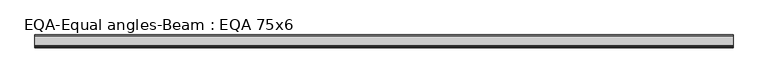
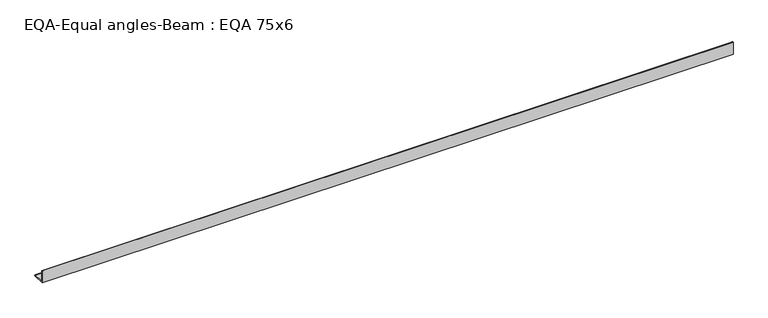
"""IFC4 building model written with IfcOpenShell, lengths in millimetres: beam geometry, EQA-Equal angles-Beam : EQA 75x6."""

import ifcopenshell
import ifcopenshell.guid

model = None  # the IFC model being written
_history = None  # IfcOwnerHistory: only IFC2X3 demands one
_inside = {}  # id of a spatial element -> (the spatial element, [elements in it])
_under = {}  # id of a project, library or spatial element -> (it, [spatial elements below it])
_declared = {}  # id of a project -> (the project, [libraries it declares])
_typed = {}  # id of a type object -> (the type object, [elements of that type])
_made_of = {}  # id of a material, layer set ... -> (it, [elements and type objects made of it])


def new_model(schema):
    """Start an empty IFC model of exactly this schema.

    Asked for "IFC4X3", IfcOpenShell would pick the latest addendum, in which some entities
    have other attributes; the version numbers below select the first issue.
    IFC2X3 requires an IfcOwnerHistory on every rooted entity: one is made here for all.
    """
    global model, _history
    if schema == "IFC4X3":
        model = ifcopenshell.file(schema_version=(4, 3, 0, 0))
    else:
        model = ifcopenshell.file(schema=schema)
    _inside.clear()
    _under.clear()
    _declared.clear()
    _typed.clear()
    _made_of.clear()
    _history = None
    if model.schema == "IFC2X3":
        org = make("IfcOrganization", Name="unknown")
        user = make(
            "IfcPersonAndOrganization",
            ThePerson=make("IfcPerson", FamilyName="unknown"),
            TheOrganization=org,
        )
        app = make(
            "IfcApplication",
            ApplicationDeveloper=org,
            Version="unknown",
            ApplicationFullName="unknown",
            ApplicationIdentifier="unknown",
        )
        _history = make(
            "IfcOwnerHistory",
            OwningUser=user,
            OwningApplication=app,
            ChangeAction="ADDED",
            CreationDate=0,
        )
    return model


def make(cls, **values):
    """One entity of the class cls with the attributes given. An attribute that is None is left unset."""
    return model.create_entity(
        cls, **{name: value for name, value in values.items() if value is not None}
    )


def rooted(cls, **values):
    """An entity with a GlobalId (a new one), such as an element, a storey or a relation."""
    return make(cls, GlobalId=ifcopenshell.guid.new(), OwnerHistory=_history, **values)


def si_unit(unit_type, name, prefix=None):
    """IfcSIUnit, for example si_unit("LENGTHUNIT", "METRE", prefix="MILLI")."""
    return make("IfcSIUnit", UnitType=unit_type, Prefix=prefix, Name=name)


def assignment(units):
    """IfcUnitAssignment: the units of a project."""
    return None if units is None else make("IfcUnitAssignment", Units=units)


def point(xyz):
    """IfcCartesianPoint."""
    return None if xyz is None else make("IfcCartesianPoint", Coordinates=xyz)


def direction(xyz):
    """IfcDirection."""
    return None if xyz is None else make("IfcDirection", DirectionRatios=xyz)


def frame(location, z_axis=None, x_axis=None):
    """IfcAxis2Placement3D, a coordinate frame: its origin and axes. An axis left out is left unset."""
    return make(
        "IfcAxis2Placement3D",
        Location=point(location),
        Axis=direction(z_axis),
        RefDirection=direction(x_axis),
    )


def frame_2d(location, x_axis=None):
    """IfcAxis2Placement2D, a coordinate frame in the plane: its origin and x axis."""
    return make(
        "IfcAxis2Placement2D", Location=point(location), RefDirection=direction(x_axis)
    )


def origin():
    """The frame at (0, 0, 0) with its axes left unset."""
    return frame((0.0, 0.0, 0.0))


def place(relative_to, where):
    """IfcLocalPlacement: puts the frame where relative to a parent placement (None: the world)."""
    return make(
        "IfcLocalPlacement", PlacementRelTo=relative_to, RelativePlacement=where
    )


def context(
    kind, dimensions, precision=None, world=None, true_north=None, identifier=None
):
    """IfcGeometricRepresentationContext, for example the 3D "Model" context."""
    return make(
        "IfcGeometricRepresentationContext",
        ContextIdentifier=identifier,
        ContextType=kind,
        CoordinateSpaceDimension=dimensions,
        Precision=precision,
        WorldCoordinateSystem=world,
        TrueNorth=true_north,
    )


def project(units=None, contexts=None):
    """IfcProject with its units and contexts."""
    return rooted(
        "IfcProject",
        Name="project",
        RepresentationContexts=contexts,
        UnitsInContext=assignment(units),
    )


def spatial(cls, under=None, at=None, **own):
    """A site, building, storey or space (cls), placed at a placement, below another one or the project."""
    s = rooted(cls, ObjectPlacement=at, **own)
    if under is not None:
        _under.setdefault(under.id(), (under, []))[1].append(s)
    return s


def polyline(points):
    """IfcPolyline through the points."""
    return make("IfcPolyline", Points=[point(p) for p in points])


def circle_curve(where, radius):
    """IfcCircle in the frame where."""
    return make("IfcCircle", Position=where, Radius=radius)


def trimmed(basis, trim1, trim2, sense, master):
    """IfcTrimmedCurve: the piece of a basis curve between two trims."""
    return make(
        "IfcTrimmedCurve",
        BasisCurve=basis,
        Trim1=trim1,
        Trim2=trim2,
        SenseAgreement=sense,
        MasterRepresentation=master,
    )


def segment(curve, same_sense, transition):
    """IfcCompositeCurveSegment."""
    return make(
        "IfcCompositeCurveSegment",
        Transition=transition,
        SameSense=same_sense,
        ParentCurve=curve,
    )


def composite_curve(segments, self_intersect=None):
    """IfcCompositeCurve: segments joined end to end."""
    return make("IfcCompositeCurve", Segments=segments, SelfIntersect=self_intersect)


def outline(outer, holes=None, kind="AREA"):
    """IfcArbitraryClosedProfileDef: a profile drawn as a closed curve; with holes, ...WithVoids."""
    if holes is None:
        return make("IfcArbitraryClosedProfileDef", ProfileType=kind, OuterCurve=outer)
    return make(
        "IfcArbitraryProfileDefWithVoids",
        ProfileType=kind,
        OuterCurve=outer,
        InnerCurves=holes,
    )


def extrude(swept, where, along, depth):
    """IfcExtrudedAreaSolid: the profile swept, set in the frame where, extruded along a direction by depth."""
    return make(
        "IfcExtrudedAreaSolid",
        SweptArea=swept,
        Position=where,
        ExtrudedDirection=direction(along),
        Depth=depth,
    )


def shape(context_of_items, identifier, shape_type, items):
    """IfcShapeRepresentation: the items that make up one representation, for example the "Body"."""
    return make(
        "IfcShapeRepresentation",
        ContextOfItems=context_of_items,
        RepresentationIdentifier=identifier,
        RepresentationType=shape_type,
        Items=items,
    )


def source(mapping_origin, context_of_items, identifier, shape_type, items):
    """IfcRepresentationMap: a shape defined once, which mapped items show again and again."""
    return make(
        "IfcRepresentationMap",
        MappingOrigin=mapping_origin,
        MappedRepresentation=shape(context_of_items, identifier, shape_type, items),
    )


def transform(
    local_origin,
    x_axis=None,
    y_axis=None,
    z_axis=None,
    scale=None,
    scale2=None,
    scale3=None,
    uniform=True,
):
    """IfcCartesianTransformationOperator3D, or its non-uniform kind. x_axis, y_axis, z_axis: its Axis1, 2, 3."""
    if uniform:
        return make(
            "IfcCartesianTransformationOperator3D",
            Axis1=direction(x_axis),
            Axis2=direction(y_axis),
            LocalOrigin=point(local_origin),
            Scale=scale,
            Axis3=direction(z_axis),
        )
    return make(
        "IfcCartesianTransformationOperator3DnonUniform",
        Axis1=direction(x_axis),
        Axis2=direction(y_axis),
        LocalOrigin=point(local_origin),
        Scale=scale,
        Axis3=direction(z_axis),
        Scale2=scale2,
        Scale3=scale3,
    )


def mapped(mapping_source, mapping_target):
    """IfcMappedItem: shows the shape of a source again, moved by a transform."""
    return make(
        "IfcMappedItem", MappingSource=mapping_source, MappingTarget=mapping_target
    )


def made_of(thing, what):
    """Note that an element or type object is made of a material, layer set ...; save() writes the relation."""
    if what is not None:
        _made_of.setdefault(what.id(), (what, []))[1].append(thing)
    return thing


def element(
    cls,
    number,
    at=None,
    inside=None,
    cuts=None,
    type_object=None,
    material=None,
    context=None,
    identifier="Body",
    shape_type=None,
    held_by="IfcProductDefinitionShape",
    body=None,
    shapes=None,
    **own,
):
    """One element of the class cls, such as IfcWall. Its Tag is "e" and its number.

    at: its placement. inside: the storey or other place that contains it. cuts: it is an
    opening in that element (IfcRelVoidsElement). A single representation is given by context,
    identifier, shape_type and body (its items); several are given by shapes. held_by: the class
    of the entity that holds the representations. save() writes the other relations.
    """
    e = rooted(cls, Tag="e%d" % number, ObjectPlacement=at, **own)
    if body is not None:
        shapes = [shape(context, identifier, shape_type, body)]
    if shapes is not None:
        e.Representation = make(held_by, Representations=shapes)
    if inside is not None:
        _inside.setdefault(inside.id(), (inside, []))[1].append(e)
    if cuts is not None:
        rooted(
            "IfcRelVoidsElement", RelatingBuildingElement=cuts, RelatedOpeningElement=e
        )
    if type_object is not None:
        _typed.setdefault(type_object.id(), (type_object, []))[1].append(e)
    return made_of(e, material)


def aggregate(whole, parts):
    """IfcRelAggregates: a whole, such as a stair, and the parts it consists of."""
    return rooted("IfcRelAggregates", RelatingObject=whole, RelatedObjects=parts)


def save(model, path):
    """Write the relations noted so far, then the file.

    IfcRelAggregates (storeys below a building ...), IfcRelContainedInSpatialStructure (elements
    in a storey), IfcRelDefinesByType, IfcRelAssociatesMaterial and IfcRelDeclares: one each for
    every whole, place, type object, material and project.
    """
    for whole, parts in _under.values():
        aggregate(whole, parts)
    for where, things in _inside.values():
        rooted(
            "IfcRelContainedInSpatialStructure",
            RelatedElements=things,
            RelatingStructure=where,
        )
    for kind, things in _typed.values():
        rooted("IfcRelDefinesByType", RelatedObjects=things, RelatingType=kind)
    for what, things in _made_of.values():
        rooted("IfcRelAssociatesMaterial", RelatedObjects=things, RelatingMaterial=what)
    for by, libraries in _declared.values():
        rooted("IfcRelDeclares", RelatingContext=by, RelatedDefinitions=libraries)
    model.write(path)


def eqa_equal_angles_beam_eqa_75x6_f5959de8(model_context):
    return source(origin(), model_context, "Body", "SweptSolid", [
        extrude(outline(composite_curve([segment(polyline([(-20.5, -20.5), (-20.5, 54.5), (-19.0, 54.5)]), True, "CONTINUOUS"), segment(trimmed(circle_curve(frame_2d((-19.0, 50.0)), 4.5), [point((-19.0, 54.5))], [point((-14.5, 50.0))], False, "CARTESIAN"), True, "CONTINUOUS"), segment(polyline([(-14.5, 50.0), (-14.5, -5.5)]), True, "CONTINUOUS"), segment(trimmed(circle_curve(frame_2d((-5.5, -5.5)), 9.0), [point((-14.5, -5.5))], [point((-5.5, -14.5))], True, "CARTESIAN"), True, "CONTINUOUS"), segment(polyline([(-5.5, -14.5), (50.0, -14.5)]), True, "CONTINUOUS"), segment(trimmed(circle_curve(frame_2d((50.0, -19.0)), 4.5), [point((50.0, -14.5))], [point((54.5, -19.0))], False, "CARTESIAN"), True, "CONTINUOUS"), segment(polyline([(54.5, -19.0), (54.5, -20.5), (-20.5, -20.5)]), True, "CONTINUOUS")], self_intersect=False)), frame((-2003.8853652, 0.0, 0.0), z_axis=(1.0, 0.0, 0.0), x_axis=(0.0, 1.0, 0.0)), (0.0, 0.0, 1.0), 4113.122768),
    ])


if __name__ == "__main__":
    model = new_model("IFC4")
    model_context = context("Model", 3, world=origin())
    ifc_project = project(units=[si_unit("LENGTHUNIT", "METRE", prefix="MILLI")], contexts=[model_context])
    site = spatial("IfcSite", under=ifc_project)
    building = spatial("IfcBuilding", under=site)
    placement = place(None, origin())
    eqa_equal_angles_beam_eqa_75x6_shape = eqa_equal_angles_beam_eqa_75x6_f5959de8(model_context)
    element("IfcBeam", 1, ObjectType="EQA-Equal angles-Beam : EQA 75x6", at=placement, inside=building, context=model_context, shape_type="MappedRepresentation", body=[
        mapped(eqa_equal_angles_beam_eqa_75x6_shape, transform((0.0, 0.0, 0.0), x_axis=(1.0, 0.0, 0.0), y_axis=(0.0, 1.0, 0.0), z_axis=(0.0, 0.0, 1.0))),
    ])
    save(model, "model.ifc")
